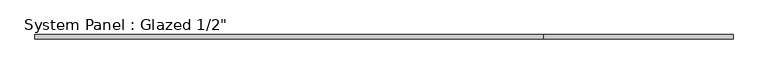
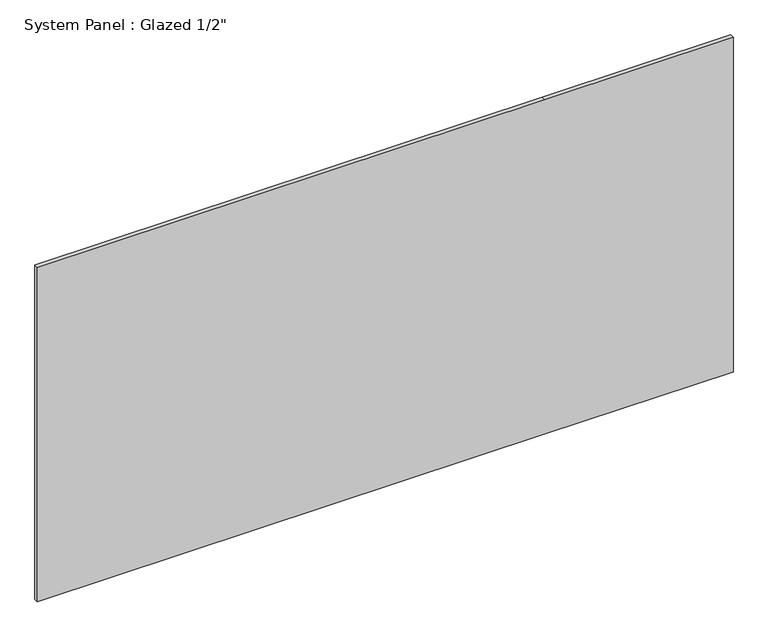
"""IFC4 building model written with IfcOpenShell, lengths in millimetres: plate geometry."""

from ifc_helpers import new_model, si_unit, frame, origin, place, context, project, spatial, polyline, outline, extrude, source, transform, mapped, element, save


def plate_cdb11ff3(model_context):
    return source(origin(), model_context, "Body", "SweptSolid", [
        extrude(outline(polyline([(0.0, -1042.5473053), (0.0, 477.3973053), (0.0, 1042.5473053), (1060.45, 1042.5473053), (1060.45, 477.3973053), (1060.45, -1042.5473053), (0.0, -1042.5473053)])), frame((0.0, -6.35, 0.0), z_axis=(0.0, 1.0, 0.0), x_axis=(0.0, 0.0, 1.0)), (0.0, 0.0, 1.0), 12.7),
    ])


if __name__ == "__main__":
    model = new_model("IFC4")
    model_context = context("Model", 3, world=origin())
    ifc_project = project(units=[si_unit("LENGTHUNIT", "METRE", prefix="MILLI")], contexts=[model_context])
    site = spatial("IfcSite", under=ifc_project)
    building = spatial("IfcBuilding", under=site)
    placement = place(None, origin())
    plate_shape = plate_cdb11ff3(model_context)
    element("IfcPlate", 1, ObjectType="System Panel : Glazed 1/2\"", at=placement, inside=building, context=model_context, shape_type="MappedRepresentation", body=[
        mapped(plate_shape, transform((0.0, 0.0, 0.0), x_axis=(1.0, 0.0, 0.0), y_axis=(0.0, 1.0, 0.0), z_axis=(0.0, 0.0, 1.0))),
    ])
    save(model, "model.ifc")
